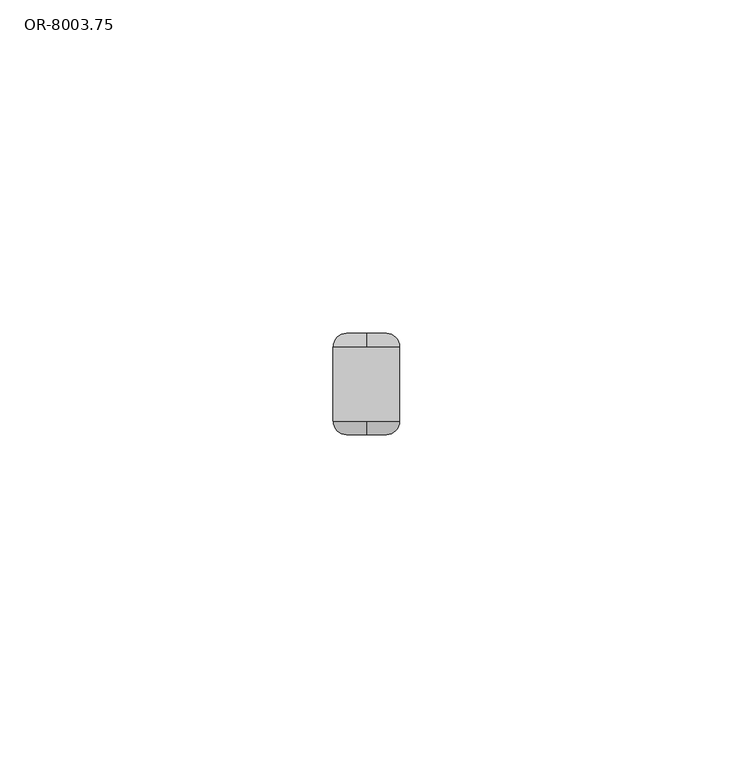
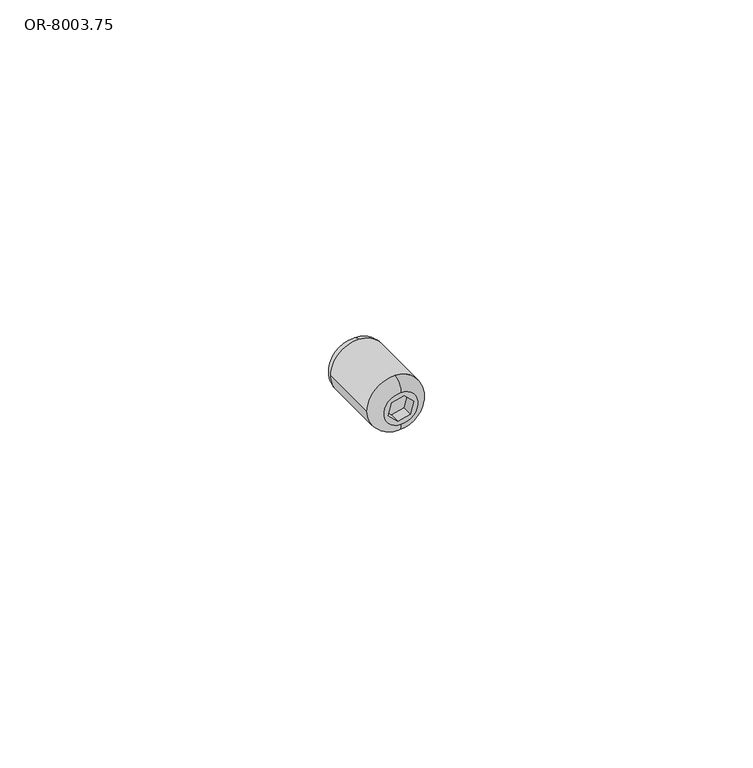
"""IFC4 building model written with IfcOpenShell, lengths in millimetres: proxy geometry, OR-8003.75."""

import ifcopenshell
import ifcopenshell.guid

model = None  # the IFC model being written
_history = None  # IfcOwnerHistory: only IFC2X3 demands one
_inside = {}  # id of a spatial element -> (the spatial element, [elements in it])
_under = {}  # id of a project, library or spatial element -> (it, [spatial elements below it])
_declared = {}  # id of a project -> (the project, [libraries it declares])
_typed = {}  # id of a type object -> (the type object, [elements of that type])
_made_of = {}  # id of a material, layer set ... -> (it, [elements and type objects made of it])


def new_model(schema):
    """Start an empty IFC model of exactly this schema.

    Asked for "IFC4X3", IfcOpenShell would pick the latest addendum, in which some entities
    have other attributes; the version numbers below select the first issue.
    IFC2X3 requires an IfcOwnerHistory on every rooted entity: one is made here for all.
    """
    global model, _history
    if schema == "IFC4X3":
        model = ifcopenshell.file(schema_version=(4, 3, 0, 0))
    else:
        model = ifcopenshell.file(schema=schema)
    _inside.clear()
    _under.clear()
    _declared.clear()
    _typed.clear()
    _made_of.clear()
    _history = None
    if model.schema == "IFC2X3":
        org = make("IfcOrganization", Name="unknown")
        user = make(
            "IfcPersonAndOrganization",
            ThePerson=make("IfcPerson", FamilyName="unknown"),
            TheOrganization=org,
        )
        app = make(
            "IfcApplication",
            ApplicationDeveloper=org,
            Version="unknown",
            ApplicationFullName="unknown",
            ApplicationIdentifier="unknown",
        )
        _history = make(
            "IfcOwnerHistory",
            OwningUser=user,
            OwningApplication=app,
            ChangeAction="ADDED",
            CreationDate=0,
        )
    return model


def make(cls, **values):
    """One entity of the class cls with the attributes given. An attribute that is None is left unset."""
    return model.create_entity(
        cls, **{name: value for name, value in values.items() if value is not None}
    )


def rooted(cls, **values):
    """An entity with a GlobalId (a new one), such as an element, a storey or a relation."""
    return make(cls, GlobalId=ifcopenshell.guid.new(), OwnerHistory=_history, **values)


def si_unit(unit_type, name, prefix=None):
    """IfcSIUnit, for example si_unit("LENGTHUNIT", "METRE", prefix="MILLI")."""
    return make("IfcSIUnit", UnitType=unit_type, Prefix=prefix, Name=name)


def assignment(units):
    """IfcUnitAssignment: the units of a project."""
    return None if units is None else make("IfcUnitAssignment", Units=units)


def point(xyz):
    """IfcCartesianPoint."""
    return None if xyz is None else make("IfcCartesianPoint", Coordinates=xyz)


def direction(xyz):
    """IfcDirection."""
    return None if xyz is None else make("IfcDirection", DirectionRatios=xyz)


def frame(location, z_axis=None, x_axis=None):
    """IfcAxis2Placement3D, a coordinate frame: its origin and axes. An axis left out is left unset."""
    return make(
        "IfcAxis2Placement3D",
        Location=point(location),
        Axis=direction(z_axis),
        RefDirection=direction(x_axis),
    )


def origin():
    """The frame at (0, 0, 0) with its axes left unset."""
    return frame((0.0, 0.0, 0.0))


def place(relative_to, where):
    """IfcLocalPlacement: puts the frame where relative to a parent placement (None: the world)."""
    return make(
        "IfcLocalPlacement", PlacementRelTo=relative_to, RelativePlacement=where
    )


def context(
    kind, dimensions, precision=None, world=None, true_north=None, identifier=None
):
    """IfcGeometricRepresentationContext, for example the 3D "Model" context."""
    return make(
        "IfcGeometricRepresentationContext",
        ContextIdentifier=identifier,
        ContextType=kind,
        CoordinateSpaceDimension=dimensions,
        Precision=precision,
        WorldCoordinateSystem=world,
        TrueNorth=true_north,
    )


def project(units=None, contexts=None):
    """IfcProject with its units and contexts."""
    return rooted(
        "IfcProject",
        Name="project",
        RepresentationContexts=contexts,
        UnitsInContext=assignment(units),
    )


def spatial(cls, under=None, at=None, **own):
    """A site, building, storey or space (cls), placed at a placement, below another one or the project."""
    s = rooted(cls, ObjectPlacement=at, **own)
    if under is not None:
        _under.setdefault(under.id(), (under, []))[1].append(s)
    return s


def circle_curve(where, radius):
    """IfcCircle in the frame where."""
    return make("IfcCircle", Position=where, Radius=radius)


def ellipse_curve(where, semi_axis1, semi_axis2):
    """IfcEllipse in the frame where."""
    return make(
        "IfcEllipse", Position=where, SemiAxis1=semi_axis1, SemiAxis2=semi_axis2
    )


def trimmed(basis, trim1, trim2, sense, master):
    """IfcTrimmedCurve: the piece of a basis curve between two trims."""
    return make(
        "IfcTrimmedCurve",
        BasisCurve=basis,
        Trim1=trim1,
        Trim2=trim2,
        SenseAgreement=sense,
        MasterRepresentation=master,
    )


def shape(context_of_items, identifier, shape_type, items):
    """IfcShapeRepresentation: the items that make up one representation, for example the "Body"."""
    return make(
        "IfcShapeRepresentation",
        ContextOfItems=context_of_items,
        RepresentationIdentifier=identifier,
        RepresentationType=shape_type,
        Items=items,
    )


def source(mapping_origin, context_of_items, identifier, shape_type, items):
    """IfcRepresentationMap: a shape defined once, which mapped items show again and again."""
    return make(
        "IfcRepresentationMap",
        MappingOrigin=mapping_origin,
        MappedRepresentation=shape(context_of_items, identifier, shape_type, items),
    )


def transform(
    local_origin,
    x_axis=None,
    y_axis=None,
    z_axis=None,
    scale=None,
    scale2=None,
    scale3=None,
    uniform=True,
):
    """IfcCartesianTransformationOperator3D, or its non-uniform kind. x_axis, y_axis, z_axis: its Axis1, 2, 3."""
    if uniform:
        return make(
            "IfcCartesianTransformationOperator3D",
            Axis1=direction(x_axis),
            Axis2=direction(y_axis),
            LocalOrigin=point(local_origin),
            Scale=scale,
            Axis3=direction(z_axis),
        )
    return make(
        "IfcCartesianTransformationOperator3DnonUniform",
        Axis1=direction(x_axis),
        Axis2=direction(y_axis),
        LocalOrigin=point(local_origin),
        Scale=scale,
        Axis3=direction(z_axis),
        Scale2=scale2,
        Scale3=scale3,
    )


def mapped(mapping_source, mapping_target):
    """IfcMappedItem: shows the shape of a source again, moved by a transform."""
    return make(
        "IfcMappedItem", MappingSource=mapping_source, MappingTarget=mapping_target
    )


def made_of(thing, what):
    """Note that an element or type object is made of a material, layer set ...; save() writes the relation."""
    if what is not None:
        _made_of.setdefault(what.id(), (what, []))[1].append(thing)
    return thing


def element(
    cls,
    number,
    at=None,
    inside=None,
    cuts=None,
    type_object=None,
    material=None,
    context=None,
    identifier="Body",
    shape_type=None,
    held_by="IfcProductDefinitionShape",
    body=None,
    shapes=None,
    **own,
):
    """One element of the class cls, such as IfcWall. Its Tag is "e" and its number.

    at: its placement. inside: the storey or other place that contains it. cuts: it is an
    opening in that element (IfcRelVoidsElement). A single representation is given by context,
    identifier, shape_type and body (its items); several are given by shapes. held_by: the class
    of the entity that holds the representations. save() writes the other relations.
    """
    e = rooted(cls, Tag="e%d" % number, ObjectPlacement=at, **own)
    if body is not None:
        shapes = [shape(context, identifier, shape_type, body)]
    if shapes is not None:
        e.Representation = make(held_by, Representations=shapes)
    if inside is not None:
        _inside.setdefault(inside.id(), (inside, []))[1].append(e)
    if cuts is not None:
        rooted(
            "IfcRelVoidsElement", RelatingBuildingElement=cuts, RelatedOpeningElement=e
        )
    if type_object is not None:
        _typed.setdefault(type_object.id(), (type_object, []))[1].append(e)
    return made_of(e, material)


def aggregate(whole, parts):
    """IfcRelAggregates: a whole, such as a stair, and the parts it consists of."""
    return rooted("IfcRelAggregates", RelatingObject=whole, RelatedObjects=parts)


def save(model, path):
    """Write the relations noted so far, then the file.

    IfcRelAggregates (storeys below a building ...), IfcRelContainedInSpatialStructure (elements
    in a storey), IfcRelDefinesByType, IfcRelAssociatesMaterial and IfcRelDeclares: one each for
    every whole, place, type object, material and project.
    """
    for whole, parts in _under.values():
        aggregate(whole, parts)
    for where, things in _inside.values():
        rooted(
            "IfcRelContainedInSpatialStructure",
            RelatedElements=things,
            RelatingStructure=where,
        )
    for kind, things in _typed.values():
        rooted("IfcRelDefinesByType", RelatedObjects=things, RelatingType=kind)
    for what, things in _made_of.values():
        rooted("IfcRelAssociatesMaterial", RelatedObjects=things, RelatingMaterial=what)
    for by, libraries in _declared.values():
        rooted("IfcRelDeclares", RelatingContext=by, RelatedDefinitions=libraries)
    model.write(path)


def plane_surface(at):
    """IfcPlane: the flat surface through the origin of the frame at, square to its z axis."""
    return make("IfcPlane", Position=at)


def cylinder_surface(at, radius):
    """IfcCylindricalSurface: all points at the distance radius from the z axis of the frame at."""
    return make("IfcCylindricalSurface", Position=at, Radius=radius)


def revolved_surface(curve, axis_point, axis_direction):
    """IfcSurfaceOfRevolution: the curve turned about the line through axis_point along axis_direction."""
    return make(
        "IfcSurfaceOfRevolution",
        SweptCurve=make("IfcArbitraryOpenProfileDef", ProfileType="CURVE", Curve=curve),
        AxisPosition=make("IfcAxis1Placement", Location=point(axis_point), Axis=direction(axis_direction)),
    )


def advanced_brep(points, edges, surfaces, faces):
    """IfcAdvancedBrep: a solid bounded by faces that lie on surfaces and meet in shared edges.

    An edge is (start, end): straight between two places in points (the first is 0);
    or (start, end, curve); or (start, end, curve, False) where it runs against its curve.
    A face is (place in surfaces, loops), or (place, loops, False) where it looks against
    its surface's normal. A loop lists edges by number (the first is 1), with a minus sign
    where the edge is run from its end to its start. The first loop is the outer one.
    """
    corners = [point(p) for p in points]
    vertices = [make("IfcVertexPoint", VertexGeometry=c) for c in corners]
    made = []
    for start, end, *more in edges:
        made.append(
            make(
                "IfcEdgeCurve",
                EdgeStart=vertices[start],
                EdgeEnd=vertices[end],
                EdgeGeometry=more[0] if more else make("IfcPolyline", Points=[corners[start], corners[end]]),
                SameSense=more[1] if len(more) > 1 else True,
            )
        )
    hull = []
    for where, loops, *sense in faces:
        bounds = []
        for j, loop in enumerate(loops):
            ring = [make("IfcOrientedEdge", EdgeElement=made[abs(k) - 1], Orientation=k > 0) for k in loop]
            bounds.append(
                make(
                    "IfcFaceOuterBound" if j == 0 else "IfcFaceBound",
                    Bound=make("IfcEdgeLoop", EdgeList=ring),
                    Orientation=True,
                )
            )
        hull.append(make("IfcAdvancedFace", Bounds=bounds, FaceSurface=surfaces[where], SameSense=sense[0] if sense else True))
    return make("IfcAdvancedBrep", Outer=make("IfcClosedShell", CfsFaces=hull))


def or_8003_75_bb75b899(model_context):
    return source(origin(), model_context, "Body", "AdvancedBrep", [
        advanced_brep(
        [(0.0, 7.6, 26.5), (0.0, 5.6, 24.5), (-5.0, 5.6, 29.5), (0.0, 5.6, 34.5), (0.0, 7.6, 32.5), (5.0, 5.6, 29.5), (0.0, -7.6, 32.5), (0.0, -7.6, 26.5), (-2.2307101, -7.6, 28.902283), (-1.6329932, -7.6, 31.1329932), (0.597717, -7.6, 31.7307101), (2.2307101, -7.6, 30.097717), (1.6329932, -7.6, 27.8670068), (-0.597717, -7.6, 27.2692899), (5.0, -5.5999996, 29.5), (0.0, -5.6, 24.5), (-5.0, -5.6, 29.5), (0.0, -5.6, 34.5), (-1.6329932, -5.6, 31.1329932), (-2.2307101, -5.6, 28.902283), (-0.597717, -5.6, 27.2692899), (1.6329932, -5.6, 27.8670068), (2.2307101, -5.6, 30.097717), (0.597717, -5.6, 31.7307101)],
        [
            (0, 1, circle_curve(frame((0.0, 5.6, 26.5), z_axis=(-1.0, 0.0, 0.0), x_axis=(0.0, 1.0, 0.0)), 2.0)),
            (1, 2, circle_curve(frame((0.0, 5.6, 29.5), z_axis=(0.0, 1.0, 0.0), x_axis=(0.0, 0.0, 1.0)), 5.0)),
            (2, 3, circle_curve(frame((0.0, 5.6, 29.5), z_axis=(0.0, 1.0, 0.0), x_axis=(0.0, 0.0, 1.0)), 5.0)),
            (3, 4, circle_curve(frame((0.0, 5.6, 32.5), z_axis=(-1.0, 0.0, 0.0), x_axis=(0.0, 1.0, 0.0)), 2.0)),
            (4, 0, circle_curve(frame((0.0, 7.6, 29.5), z_axis=(0.0, -1.0, 0.0), x_axis=(0.0, 0.0, 1.0)), 3.0)),
            (0, 4, circle_curve(frame((0.0, 7.6, 29.5), z_axis=(0.0, -1.0, 0.0), x_axis=(0.0, 0.0, 1.0)), 3.0)),
            (3, 5, circle_curve(frame((0.0, 5.6, 29.5), z_axis=(0.0, 1.0, 0.0), x_axis=(0.0, 0.0, 1.0)), 5.0)),
            (5, 1, circle_curve(frame((0.0, 5.6, 29.5), z_axis=(0.0, 1.0, 0.0), x_axis=(0.0, 0.0, 1.0)), 5.0)),
            (6, 7, circle_curve(frame((0.0, -7.6, 29.5), z_axis=(0.0, -1.0, 0.0), x_axis=(0.0, 0.0, 1.0)), 3.0)),
            (7, 6, circle_curve(frame((0.0, -7.6, 29.5), z_axis=(0.0, -1.0, 0.0), x_axis=(0.0, 0.0, 1.0)), 3.0)),
            (8, 9),
            (9, 10),
            (10, 11),
            (11, 12),
            (12, 13),
            (13, 8),
            (5, 14),
            (14, 15, circle_curve(frame((0.0, -5.6, 29.5), z_axis=(0.0, 1.0, 0.0), x_axis=(1.0, 0.0, 0.0)), 5.0)),
            (15, 16, circle_curve(frame((0.0, -5.6, 29.5), z_axis=(0.0, 1.0, 0.0), x_axis=(1.0, 0.0, 0.0)), 5.0)),
            (16, 2),
            (16, 17, circle_curve(frame((0.0, -5.6, 29.5), z_axis=(0.0, 1.0, 0.0), x_axis=(1.0, 0.0, 0.0)), 5.0)),
            (17, 14, circle_curve(frame((0.0, -5.6, 29.5), z_axis=(0.0, 1.0, 0.0), x_axis=(1.0, 0.0, 0.0)), 5.0)),
            (15, 7, circle_curve(frame((0.0, -5.6, 26.5), z_axis=(-1.0, 0.0, 0.0), x_axis=(0.0, -1.0, 0.0)), 2.0)),
            (6, 17, circle_curve(frame((0.0, -5.6, 32.5), z_axis=(-1.0, 0.0, 0.0), x_axis=(0.0, -1.0, 0.0)), 2.0)),
            (18, 19),
            (19, 20),
            (20, 21),
            (21, 22),
            (22, 23),
            (23, 18),
            (18, 9),
            (8, 19),
            (13, 20),
            (12, 21),
            (11, 22),
            (10, 23),
        ],
        [
            revolved_surface(trimmed(ellipse_curve(frame((0.0, 5.6, 32.5), z_axis=(1.0, 0.0, 0.0), x_axis=(0.0, 1.0, 0.0)), 2.0, 2.0), [point((0.0, 7.6, 32.5))], [point((0.0, 5.6, 34.5))], True, "CARTESIAN"), (0.0, 5.6, 29.5), (0.0, -1.0, 0.0)),
            plane_surface(frame((5.0, -7.6, 29.5), z_axis=(0.0, -1.0, 0.0), x_axis=(0.0, 0.0, 1.0))),
            plane_surface(frame((5.0, 7.6, 29.5), z_axis=(0.0, 1.0, 0.0), x_axis=(0.0, 0.0, -1.0))),
            cylinder_surface(frame((0.0, 7.6, 29.5), z_axis=(0.0, -1.0, 0.0), x_axis=(1.0, 0.0, 0.0)), 5.0),
            revolved_surface(trimmed(ellipse_curve(frame((0.0, -5.6, 32.5), z_axis=(1.0, 0.0, 0.0), x_axis=(0.0, -1.0, 0.0)), 2.0, 2.0), [point((0.0, -5.6, 34.5))], [point((0.0, -7.6, 32.5))], True, "CARTESIAN"), (0.0, -5.6, 29.5), (0.0, -1.0, 0.0)),
            plane_surface(frame((-1.6329932, -5.6, 31.1329932), z_axis=(0.0, -1.0, 0.0), x_axis=(0.2588190451000276, 0.0, 0.9659258262897363))),
            plane_surface(frame((-1.6329932, -7.6, 31.1329932), z_axis=(0.9659258262897363, 0.0, -0.2588190451000276), x_axis=(0.0, 1.0, 0.0))),
            plane_surface(frame((-2.2307101, -7.6, 28.902283), z_axis=(0.7071067811847245, 0.0, 0.7071067811883706), x_axis=(0.0, 1.0, 0.0))),
            plane_surface(frame((-0.597717, -7.6, 27.2692899), z_axis=(-0.2588190451050086, 0.0, 0.9659258262884017), x_axis=(0.0, 1.0, 0.0))),
            plane_surface(frame((1.6329932, -7.6, 27.8670068), z_axis=(-0.9659258262897347, 0.0, 0.258819045100034), x_axis=(0.0, 1.0, 0.0))),
            plane_surface(frame((2.2307101, -7.6, 30.097717), z_axis=(-0.7071067811847253, 0.0, -0.7071067811883698), x_axis=(0.0, 1.0, 0.0))),
            plane_surface(frame((0.597717, -7.6, 31.7307101), z_axis=(0.2588190451050096, 0.0, -0.9659258262884014), x_axis=(0.0, 1.0, 0.0))),
        ],
        [
            (0, [[1, 2, 3, 4, 5]]),
            (0, [[-1, 6, -4, 7, 8]]),
            (1, [[9, 10], [11, 12, 13, 14, 15, 16]]),
            (2, [[-5, -6]]),
            (3, [[-2, -8, 17, 18, 19, 20]]),
            (3, [[-3, -20, 21, 22, -17, -7]]),
            (4, [[23, -9, 24, -21, -19]]),
            (4, [[-23, -18, -22, -24, -10]]),
            (5, [[25, 26, 27, 28, 29, 30]]),
            (6, [[-25, 31, -11, 32]]),
            (7, [[-26, -32, -16, 33]]),
            (8, [[-27, -33, -15, 34]]),
            (9, [[-28, -34, -14, 35]]),
            (10, [[-29, -35, -13, 36]]),
            (11, [[-30, -36, -12, -31]]),
        ],
    ),
    ])


if __name__ == "__main__":
    model = new_model("IFC4")
    model_context = context("Model", 3, world=origin())
    ifc_project = project(units=[si_unit("LENGTHUNIT", "METRE", prefix="MILLI")], contexts=[model_context])
    site = spatial("IfcSite", under=ifc_project)
    building = spatial("IfcBuilding", under=site)
    placement = place(None, origin())
    or_8003_75_shape = or_8003_75_bb75b899(model_context)
    element("IfcBuildingElementProxy", 1, Name="OR-8003.75", ObjectType="OR-8003.75", at=placement, inside=building, context=model_context, shape_type="MappedRepresentation", body=[
        mapped(or_8003_75_shape, transform((0.0, 0.0, 0.0), x_axis=(1.0, 0.0, 0.0), y_axis=(0.0, 1.0, 0.0), z_axis=(0.0, 0.0, 1.0))),
    ])
    save(model, "model.ifc")
